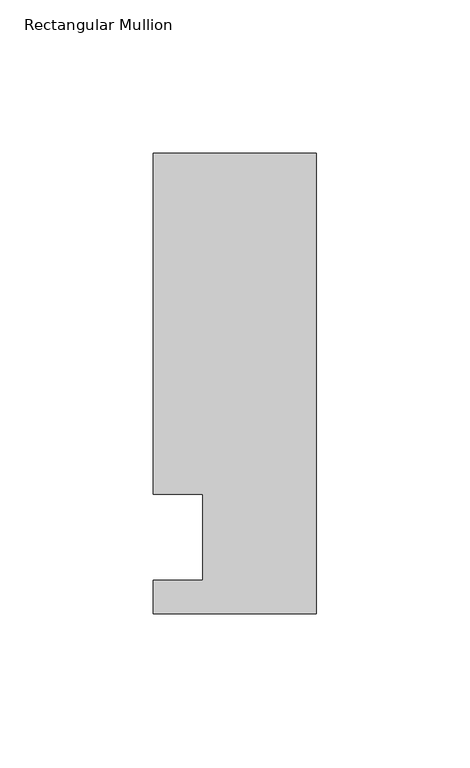
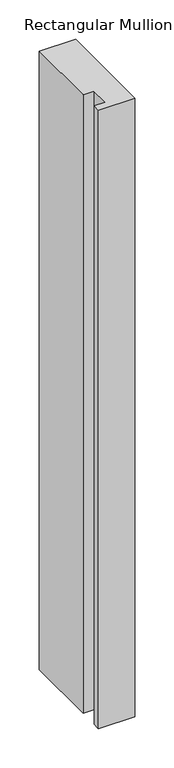
"""IFC4 building model written with IfcOpenShell, lengths in millimetres: member geometry, Rectangular Mullion."""

from ifc_helpers import new_model, si_unit, frame, origin, place, context, project, spatial, polyline, outline, extrude, source, transform, mapped, element, save


def rectangular_mullion_277d44e6(model_context):
    return source(origin(), model_context, "Body", "SweptSolid", [
        extrude(outline(polyline([(0.0, -25.0), (-53.0, -25.0), (-53.0, -14.0), (-37.0, -14.0), (-37.0, 14.0), (-53.0, 14.0), (-53.0, 125.0), (0.0, 125.0), (0.0, -25.0)])), frame((0.0, 0.0, -958.9865328), z_axis=(0.0, 0.0, 1.0), x_axis=(1.0, 0.0, 0.0)), (0.0, 0.0, 1.0), 958.9865328),
    ])


if __name__ == "__main__":
    model = new_model("IFC4")
    model_context = context("Model", 3, world=origin())
    ifc_project = project(units=[si_unit("LENGTHUNIT", "METRE", prefix="MILLI")], contexts=[model_context])
    site = spatial("IfcSite", under=ifc_project)
    building = spatial("IfcBuilding", under=site)
    placement = place(None, origin())
    rectangular_mullion_shape = rectangular_mullion_277d44e6(model_context)
    element("IfcMember", 1, ObjectType="Rectangular Mullion", at=placement, inside=building, context=model_context, shape_type="MappedRepresentation", body=[
        mapped(rectangular_mullion_shape, transform((0.0, 0.0, 0.0), x_axis=(1.0, 0.0, 0.0), y_axis=(0.0, 1.0, 0.0), z_axis=(0.0, 0.0, 1.0))),
    ])
    save(model, "model.ifc")
